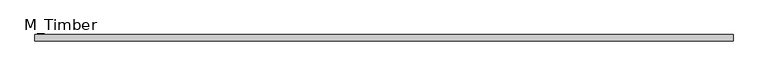
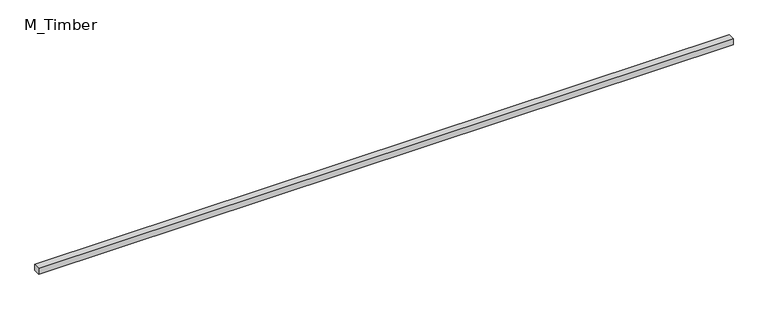
"""IFC4 building model written with IfcOpenShell, lengths in millimetres: beam geometry, M_Timber."""

from ifc_helpers import new_model, si_unit, frame, origin, place, context, project, spatial, polyline, outline, extrude, source, transform, mapped, element, save


def m_timber_aec21354(model_context):
    return source(origin(), model_context, "Body", "SweptSolid", [
        extrude(outline(polyline([(2185.6364618, 20.0), (2185.6364618, -20.0), (-2185.6364618, -20.0), (-2185.6364618, 20.0), (2185.6364618, 20.0)])), frame((0.0, 0.0, -20.0), z_axis=(0.0, 0.0, 1.0), x_axis=(1.0, 0.0, 0.0)), (0.0, 0.0, 1.0), 40.0),
    ])


if __name__ == "__main__":
    model = new_model("IFC4")
    model_context = context("Model", 3, world=origin())
    ifc_project = project(units=[si_unit("LENGTHUNIT", "METRE", prefix="MILLI")], contexts=[model_context])
    site = spatial("IfcSite", under=ifc_project)
    building = spatial("IfcBuilding", under=site)
    placement = place(None, origin())
    m_timber_shape = m_timber_aec21354(model_context)
    element("IfcBeam", 1, ObjectType="M_Timber", at=placement, inside=building, context=model_context, shape_type="MappedRepresentation", body=[
        mapped(m_timber_shape, transform((0.0, 0.0, 0.0), x_axis=(1.0, 0.0, 0.0), y_axis=(0.0, 1.0, 0.0), z_axis=(0.0, 0.0, 1.0))),
    ])
    save(model, "model.ifc")
